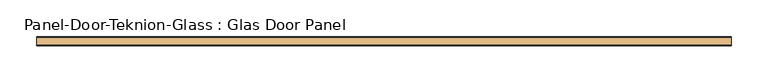
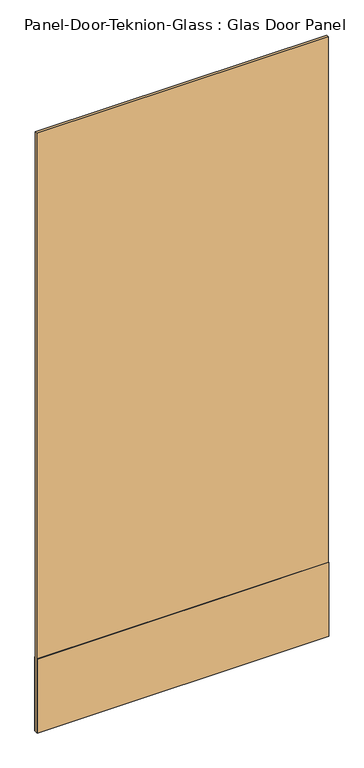
"""IFC4 building model written with IfcOpenShell, lengths in millimetres: door geometry, Panel-Door-Teknion-Glass : Glas Door Panel."""

from ifc_helpers import new_model, si_unit, frame, origin, place, context, project, spatial, polyline, outline, extrude, source, transform, mapped, element, save


def panel_door_teknion_glass_glas_door_panel_e6f0001c(model_context):
    return source(origin(), model_context, "Body", "SweptSolid", [
        extrude(outline(polyline([(473.0678563, -4.5085), (-473.0678562, -4.5085), (-473.0678562, 4.5085), (473.0678563, 4.5085), (473.0678563, -4.5085)])), frame((0.0, 0.0, 12.7), z_axis=(0.0, 0.0, 1.0), x_axis=(1.0, 0.0, 0.0)), (0.0, 0.0, 1.0), 2055.622),
        extrude(outline(polyline([(473.0678563, -6.1087), (-473.0678562, -6.1087), (-473.0678562, -4.5085), (473.0678563, -4.5085), (473.0678563, -6.1087)])), frame((0.0, 0.0, 12.7), z_axis=(0.0, 0.0, 1.0), x_axis=(1.0, 0.0, 0.0)), (0.0, 0.0, 1.0), 254.0),
        extrude(outline(polyline([(473.0678563, 4.5085), (-473.0678562, 4.5085), (-473.0678562, 6.1087), (473.0678563, 6.1087), (473.0678563, 4.5085)])), frame((0.0, 0.0, 12.7), z_axis=(0.0, 0.0, 1.0), x_axis=(1.0, 0.0, 0.0)), (0.0, 0.0, 1.0), 254.0),
    ])


if __name__ == "__main__":
    model = new_model("IFC4")
    model_context = context("Model", 3, world=origin())
    ifc_project = project(units=[si_unit("LENGTHUNIT", "METRE", prefix="MILLI")], contexts=[model_context])
    site = spatial("IfcSite", under=ifc_project)
    building = spatial("IfcBuilding", under=site)
    placement = place(None, origin())
    panel_door_teknion_glass_glas_door_panel_shape = panel_door_teknion_glass_glas_door_panel_e6f0001c(model_context)
    element("IfcDoor", 1, ObjectType="Panel-Door-Teknion-Glass : Glas Door Panel", at=placement, inside=building, context=model_context, shape_type="MappedRepresentation", body=[
        mapped(panel_door_teknion_glass_glas_door_panel_shape, transform((0.0, 0.0, 0.0), x_axis=(1.0, 0.0, 0.0), y_axis=(0.0, 1.0, 0.0), z_axis=(0.0, 0.0, 1.0))),
    ])
    save(model, "model.ifc")
